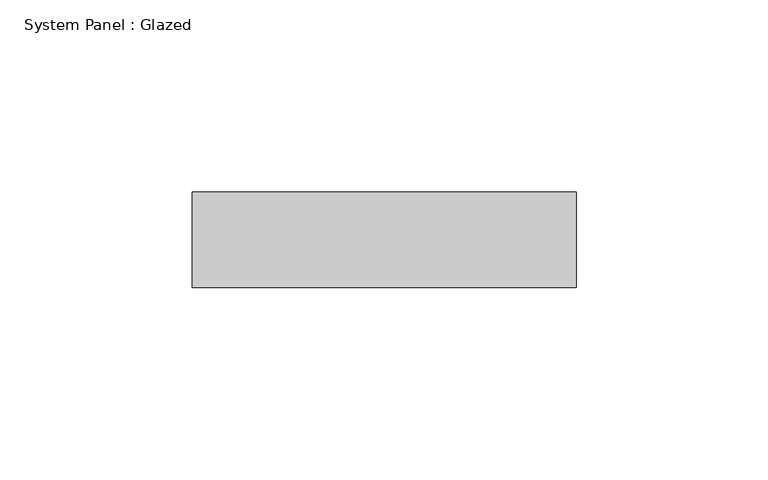
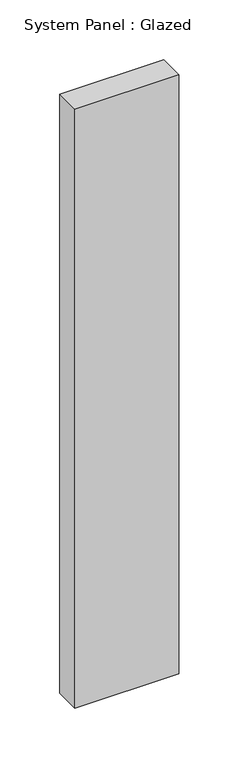
"""IFC4 building model written with IfcOpenShell, lengths in millimetres: plate geometry, System Panel : Glazed."""

from ifc_helpers import new_model, si_unit, origin, origin_with_axes, place, context, project, spatial, polyline, outline, extrude, source, transform, mapped, element, save


def system_panel_glazed_2f659b89(model_context):
    return source(origin(), model_context, "Body", "SweptSolid", [
        extrude(outline(polyline([(50.0, -49.5), (-50.0, -49.5), (-50.0, -24.5), (50.0, -24.5), (50.0, -49.5)])), origin_with_axes(), (0.0, 0.0, 1.0), 610.0),
    ])


if __name__ == "__main__":
    model = new_model("IFC4")
    model_context = context("Model", 3, world=origin())
    ifc_project = project(units=[si_unit("LENGTHUNIT", "METRE", prefix="MILLI")], contexts=[model_context])
    site = spatial("IfcSite", under=ifc_project)
    building = spatial("IfcBuilding", under=site)
    placement = place(None, origin())
    system_panel_glazed_shape = system_panel_glazed_2f659b89(model_context)
    element("IfcPlate", 1, ObjectType="System Panel : Glazed", at=placement, inside=building, context=model_context, shape_type="MappedRepresentation", body=[
        mapped(system_panel_glazed_shape, transform((0.0, 0.0, 0.0), x_axis=(1.0, 0.0, 0.0), y_axis=(0.0, 1.0, 0.0), z_axis=(0.0, 0.0, 1.0))),
    ])
    save(model, "model.ifc")
